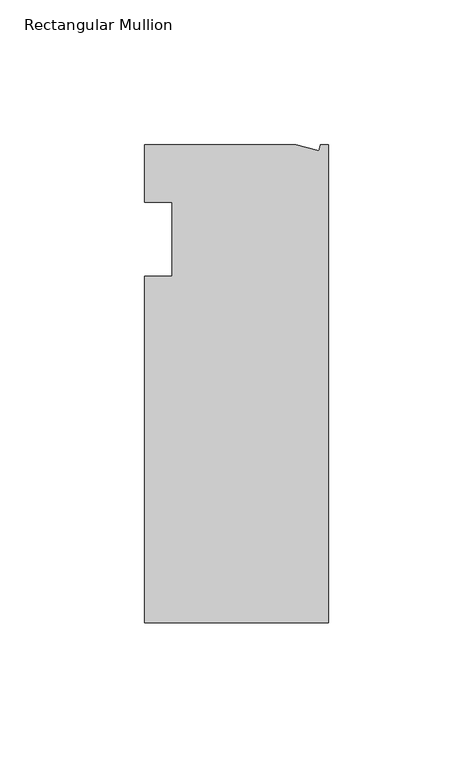
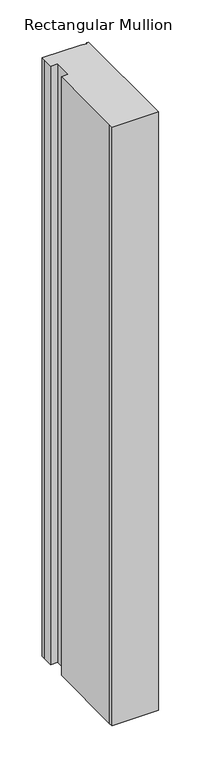
"""IFC4 building model written with IfcOpenShell, lengths in millimetres: member geometry, Rectangular Mullion."""

from ifc_helpers import new_model, si_unit, origin, place, context, project, spatial, faceted_brep, source, transform, mapped, element, save


def rectangular_mullion_b3f57a63(model_context):
    return source(origin(), model_context, "Body", "Brep", [
        faceted_brep([(0.0, -132.5561012, 0.0), (0.0, 32.5438988, 0.0), (-2.7630634, 32.5438988, 0.0), (-3.3223696, 30.4565397, 0.0), (-11.1125, 32.5438988, 0.0), (-63.5076469, 32.5438988, 0.0), (-63.5076469, 26.1938988, 0.0), (-63.5, 12.7, 0.0), (-53.975, 12.7, 0.0), (-53.975, -12.8488281, 0.0), (-63.5, -12.8488281, 0.0), (-63.5, -126.2061012, 0.0), (-63.5, -132.5561012, 0.0), (0.0, -132.5561012, -863.6), (-63.5, -132.5561012, -863.6), (-63.5, -126.2061012, -863.6), (-63.5, -12.8488281, -863.6), (-53.975, -12.8488281, -863.6), (-53.975, 12.7, -863.6), (-63.5, 12.7, -863.6), (-63.5, 26.1938988, -863.6), (-63.5076469, 32.5438988, -863.6), (-11.1125, 32.5438988, -863.6), (-3.3223696, 30.4565397, -863.6), (-2.7630634, 32.5438988, -863.6), (0.0, 32.5438988, -863.6)], [[[0, 1, 2, 3, 4, 5, 6, 7, 8, 9, 10, 11, 12]], [[13, 14, 15, 16, 17, 18, 19, 20, 21, 22, 23, 24, 25]], [[7, 6, 20, 19]], [[8, 7, 19, 18]], [[9, 8, 18, 17]], [[10, 9, 17, 16]], [[11, 10, 16, 15]], [[0, 12, 14, 13]], [[1, 0, 13, 25]], [[2, 1, 25, 24]], [[3, 2, 24, 23]], [[4, 3, 23, 22]], [[5, 4, 22, 21]], [[6, 5, 21, 20]], [[12, 11, 15, 14]]]),
    ])


if __name__ == "__main__":
    model = new_model("IFC4")
    model_context = context("Model", 3, world=origin())
    ifc_project = project(units=[si_unit("LENGTHUNIT", "METRE", prefix="MILLI")], contexts=[model_context])
    site = spatial("IfcSite", under=ifc_project)
    building = spatial("IfcBuilding", under=site)
    placement = place(None, origin())
    rectangular_mullion_shape = rectangular_mullion_b3f57a63(model_context)
    element("IfcMember", 1, ObjectType="Rectangular Mullion", at=placement, inside=building, context=model_context, shape_type="MappedRepresentation", body=[
        mapped(rectangular_mullion_shape, transform((0.0, 0.0, 0.0), x_axis=(1.0, 0.0, 0.0), y_axis=(0.0, 1.0, 0.0), z_axis=(0.0, 0.0, 1.0))),
    ])
    save(model, "model.ifc")
